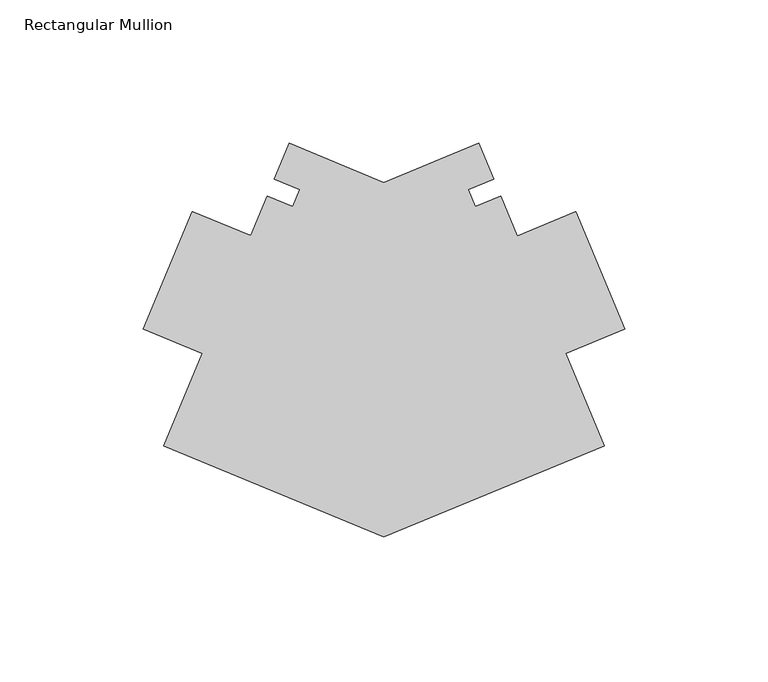
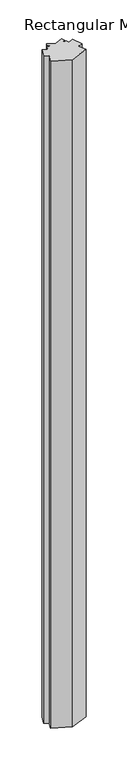
"""IFC4 building model written with IfcOpenShell, lengths in millimetres: member geometry, Rectangular Mullion."""

from ifc_helpers import new_model, si_unit, frame, origin, place, context, project, spatial, polyline, outline, extrude, source, transform, mapped, element, save


def rectangular_mullion_4cd36f46(model_context):
    return source(origin(), model_context, "Body", "SweptSolid", [
        extrude(outline(polyline([(-83.943454, -123.7953514), (-160.6946039, -92.0039841), (-147.3439653, -59.7726913), (-167.8771879, -51.267552), (-150.8669093, -10.2011068), (-130.3336867, -18.706246), (-124.6289046, -4.9336837), (-115.828952, -8.5787434), (-113.3662046, -2.6331452), (-122.1661572, 1.0119145), (-116.9538876, 13.5954464), (-83.943454, -0.0779229), (-50.9330203, 13.5954464), (-45.7213271, 1.0133059), (-54.5212796, -2.6317538), (-52.0567071, -8.5817582), (-43.2567545, -4.9366985), (-37.5435011, -18.7297126), (-17.0102786, -10.2245733), (0.0, -51.2910186), (-20.5332226, -59.7961578), (-7.1923041, -92.0039842), (-83.943454, -123.7953514)])), frame((0.0, 0.0, -3048.0), z_axis=(0.0, 0.0, 1.0), x_axis=(1.0, 0.0, 0.0)), (0.0, 0.0, 1.0), 3048.0),
    ])


if __name__ == "__main__":
    model = new_model("IFC4")
    model_context = context("Model", 3, world=origin())
    ifc_project = project(units=[si_unit("LENGTHUNIT", "METRE", prefix="MILLI")], contexts=[model_context])
    site = spatial("IfcSite", under=ifc_project)
    building = spatial("IfcBuilding", under=site)
    placement = place(None, origin())
    rectangular_mullion_shape = rectangular_mullion_4cd36f46(model_context)
    element("IfcMember", 1, ObjectType="Rectangular Mullion", at=placement, inside=building, context=model_context, shape_type="MappedRepresentation", body=[
        mapped(rectangular_mullion_shape, transform((0.0, 0.0, 0.0), x_axis=(1.0, 0.0, 0.0), y_axis=(0.0, 1.0, 0.0), z_axis=(0.0, 0.0, 1.0))),
    ])
    save(model, "model.ifc")
